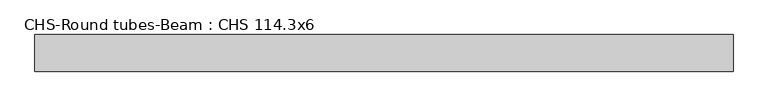
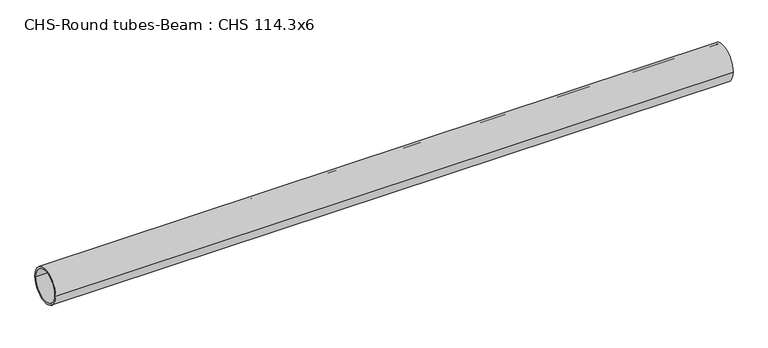
"""IFC4 building model written with IfcOpenShell, lengths in millimetres: beam geometry, CHS-Round tubes-Beam : CHS 114.3x6."""

import ifcopenshell
import ifcopenshell.guid

model = None  # the IFC model being written
_history = None  # IfcOwnerHistory: only IFC2X3 demands one
_inside = {}  # id of a spatial element -> (the spatial element, [elements in it])
_under = {}  # id of a project, library or spatial element -> (it, [spatial elements below it])
_declared = {}  # id of a project -> (the project, [libraries it declares])
_typed = {}  # id of a type object -> (the type object, [elements of that type])
_made_of = {}  # id of a material, layer set ... -> (it, [elements and type objects made of it])


def new_model(schema):
    """Start an empty IFC model of exactly this schema.

    Asked for "IFC4X3", IfcOpenShell would pick the latest addendum, in which some entities
    have other attributes; the version numbers below select the first issue.
    IFC2X3 requires an IfcOwnerHistory on every rooted entity: one is made here for all.
    """
    global model, _history
    if schema == "IFC4X3":
        model = ifcopenshell.file(schema_version=(4, 3, 0, 0))
    else:
        model = ifcopenshell.file(schema=schema)
    _inside.clear()
    _under.clear()
    _declared.clear()
    _typed.clear()
    _made_of.clear()
    _history = None
    if model.schema == "IFC2X3":
        org = make("IfcOrganization", Name="unknown")
        user = make(
            "IfcPersonAndOrganization",
            ThePerson=make("IfcPerson", FamilyName="unknown"),
            TheOrganization=org,
        )
        app = make(
            "IfcApplication",
            ApplicationDeveloper=org,
            Version="unknown",
            ApplicationFullName="unknown",
            ApplicationIdentifier="unknown",
        )
        _history = make(
            "IfcOwnerHistory",
            OwningUser=user,
            OwningApplication=app,
            ChangeAction="ADDED",
            CreationDate=0,
        )
    return model


def make(cls, **values):
    """One entity of the class cls with the attributes given. An attribute that is None is left unset."""
    return model.create_entity(
        cls, **{name: value for name, value in values.items() if value is not None}
    )


def rooted(cls, **values):
    """An entity with a GlobalId (a new one), such as an element, a storey or a relation."""
    return make(cls, GlobalId=ifcopenshell.guid.new(), OwnerHistory=_history, **values)


def si_unit(unit_type, name, prefix=None):
    """IfcSIUnit, for example si_unit("LENGTHUNIT", "METRE", prefix="MILLI")."""
    return make("IfcSIUnit", UnitType=unit_type, Prefix=prefix, Name=name)


def assignment(units):
    """IfcUnitAssignment: the units of a project."""
    return None if units is None else make("IfcUnitAssignment", Units=units)


def point(xyz):
    """IfcCartesianPoint."""
    return None if xyz is None else make("IfcCartesianPoint", Coordinates=xyz)


def direction(xyz):
    """IfcDirection."""
    return None if xyz is None else make("IfcDirection", DirectionRatios=xyz)


def frame(location, z_axis=None, x_axis=None):
    """IfcAxis2Placement3D, a coordinate frame: its origin and axes. An axis left out is left unset."""
    return make(
        "IfcAxis2Placement3D",
        Location=point(location),
        Axis=direction(z_axis),
        RefDirection=direction(x_axis),
    )


def frame_2d(location, x_axis=None):
    """IfcAxis2Placement2D, a coordinate frame in the plane: its origin and x axis."""
    return make(
        "IfcAxis2Placement2D", Location=point(location), RefDirection=direction(x_axis)
    )


def origin():
    """The frame at (0, 0, 0) with its axes left unset."""
    return frame((0.0, 0.0, 0.0))


def origin_2d():
    """The frame at (0, 0) in the plane with its x axis left unset."""
    return frame_2d((0.0, 0.0))


def place(relative_to, where):
    """IfcLocalPlacement: puts the frame where relative to a parent placement (None: the world)."""
    return make(
        "IfcLocalPlacement", PlacementRelTo=relative_to, RelativePlacement=where
    )


def context(
    kind, dimensions, precision=None, world=None, true_north=None, identifier=None
):
    """IfcGeometricRepresentationContext, for example the 3D "Model" context."""
    return make(
        "IfcGeometricRepresentationContext",
        ContextIdentifier=identifier,
        ContextType=kind,
        CoordinateSpaceDimension=dimensions,
        Precision=precision,
        WorldCoordinateSystem=world,
        TrueNorth=true_north,
    )


def project(units=None, contexts=None):
    """IfcProject with its units and contexts."""
    return rooted(
        "IfcProject",
        Name="project",
        RepresentationContexts=contexts,
        UnitsInContext=assignment(units),
    )


def spatial(cls, under=None, at=None, **own):
    """A site, building, storey or space (cls), placed at a placement, below another one or the project."""
    s = rooted(cls, ObjectPlacement=at, **own)
    if under is not None:
        _under.setdefault(under.id(), (under, []))[1].append(s)
    return s


def circle_curve(where, radius):
    """IfcCircle in the frame where."""
    return make("IfcCircle", Position=where, Radius=radius)


def trimmed(basis, trim1, trim2, sense, master):
    """IfcTrimmedCurve: the piece of a basis curve between two trims."""
    return make(
        "IfcTrimmedCurve",
        BasisCurve=basis,
        Trim1=trim1,
        Trim2=trim2,
        SenseAgreement=sense,
        MasterRepresentation=master,
    )


def segment(curve, same_sense, transition):
    """IfcCompositeCurveSegment."""
    return make(
        "IfcCompositeCurveSegment",
        Transition=transition,
        SameSense=same_sense,
        ParentCurve=curve,
    )


def composite_curve(segments, self_intersect=None):
    """IfcCompositeCurve: segments joined end to end."""
    return make("IfcCompositeCurve", Segments=segments, SelfIntersect=self_intersect)


def outline(outer, holes=None, kind="AREA"):
    """IfcArbitraryClosedProfileDef: a profile drawn as a closed curve; with holes, ...WithVoids."""
    if holes is None:
        return make("IfcArbitraryClosedProfileDef", ProfileType=kind, OuterCurve=outer)
    return make(
        "IfcArbitraryProfileDefWithVoids",
        ProfileType=kind,
        OuterCurve=outer,
        InnerCurves=holes,
    )


def extrude(swept, where, along, depth):
    """IfcExtrudedAreaSolid: the profile swept, set in the frame where, extruded along a direction by depth."""
    return make(
        "IfcExtrudedAreaSolid",
        SweptArea=swept,
        Position=where,
        ExtrudedDirection=direction(along),
        Depth=depth,
    )


def shape(context_of_items, identifier, shape_type, items):
    """IfcShapeRepresentation: the items that make up one representation, for example the "Body"."""
    return make(
        "IfcShapeRepresentation",
        ContextOfItems=context_of_items,
        RepresentationIdentifier=identifier,
        RepresentationType=shape_type,
        Items=items,
    )


def source(mapping_origin, context_of_items, identifier, shape_type, items):
    """IfcRepresentationMap: a shape defined once, which mapped items show again and again."""
    return make(
        "IfcRepresentationMap",
        MappingOrigin=mapping_origin,
        MappedRepresentation=shape(context_of_items, identifier, shape_type, items),
    )


def transform(
    local_origin,
    x_axis=None,
    y_axis=None,
    z_axis=None,
    scale=None,
    scale2=None,
    scale3=None,
    uniform=True,
):
    """IfcCartesianTransformationOperator3D, or its non-uniform kind. x_axis, y_axis, z_axis: its Axis1, 2, 3."""
    if uniform:
        return make(
            "IfcCartesianTransformationOperator3D",
            Axis1=direction(x_axis),
            Axis2=direction(y_axis),
            LocalOrigin=point(local_origin),
            Scale=scale,
            Axis3=direction(z_axis),
        )
    return make(
        "IfcCartesianTransformationOperator3DnonUniform",
        Axis1=direction(x_axis),
        Axis2=direction(y_axis),
        LocalOrigin=point(local_origin),
        Scale=scale,
        Axis3=direction(z_axis),
        Scale2=scale2,
        Scale3=scale3,
    )


def mapped(mapping_source, mapping_target):
    """IfcMappedItem: shows the shape of a source again, moved by a transform."""
    return make(
        "IfcMappedItem", MappingSource=mapping_source, MappingTarget=mapping_target
    )


def made_of(thing, what):
    """Note that an element or type object is made of a material, layer set ...; save() writes the relation."""
    if what is not None:
        _made_of.setdefault(what.id(), (what, []))[1].append(thing)
    return thing


def element(
    cls,
    number,
    at=None,
    inside=None,
    cuts=None,
    type_object=None,
    material=None,
    context=None,
    identifier="Body",
    shape_type=None,
    held_by="IfcProductDefinitionShape",
    body=None,
    shapes=None,
    **own,
):
    """One element of the class cls, such as IfcWall. Its Tag is "e" and its number.

    at: its placement. inside: the storey or other place that contains it. cuts: it is an
    opening in that element (IfcRelVoidsElement). A single representation is given by context,
    identifier, shape_type and body (its items); several are given by shapes. held_by: the class
    of the entity that holds the representations. save() writes the other relations.
    """
    e = rooted(cls, Tag="e%d" % number, ObjectPlacement=at, **own)
    if body is not None:
        shapes = [shape(context, identifier, shape_type, body)]
    if shapes is not None:
        e.Representation = make(held_by, Representations=shapes)
    if inside is not None:
        _inside.setdefault(inside.id(), (inside, []))[1].append(e)
    if cuts is not None:
        rooted(
            "IfcRelVoidsElement", RelatingBuildingElement=cuts, RelatedOpeningElement=e
        )
    if type_object is not None:
        _typed.setdefault(type_object.id(), (type_object, []))[1].append(e)
    return made_of(e, material)


def aggregate(whole, parts):
    """IfcRelAggregates: a whole, such as a stair, and the parts it consists of."""
    return rooted("IfcRelAggregates", RelatingObject=whole, RelatedObjects=parts)


def save(model, path):
    """Write the relations noted so far, then the file.

    IfcRelAggregates (storeys below a building ...), IfcRelContainedInSpatialStructure (elements
    in a storey), IfcRelDefinesByType, IfcRelAssociatesMaterial and IfcRelDeclares: one each for
    every whole, place, type object, material and project.
    """
    for whole, parts in _under.values():
        aggregate(whole, parts)
    for where, things in _inside.values():
        rooted(
            "IfcRelContainedInSpatialStructure",
            RelatedElements=things,
            RelatingStructure=where,
        )
    for kind, things in _typed.values():
        rooted("IfcRelDefinesByType", RelatedObjects=things, RelatingType=kind)
    for what, things in _made_of.values():
        rooted("IfcRelAssociatesMaterial", RelatedObjects=things, RelatingMaterial=what)
    for by, libraries in _declared.values():
        rooted("IfcRelDeclares", RelatingContext=by, RelatedDefinitions=libraries)
    model.write(path)


def chs_round_tubes_beam_chs_114_3x6_eb308ebc(model_context):
    return source(origin(), model_context, "Body", "SweptSolid", [
        extrude(outline(composite_curve([segment(trimmed(circle_curve(origin_2d(), 57.15), [point((57.15, 0.0))], [point((-57.15, 0.0))], False, "CARTESIAN"), True, "CONTINUOUS"), segment(trimmed(circle_curve(origin_2d(), 57.15), [point((-57.15, 0.0))], [point((57.15, 0.0))], False, "CARTESIAN"), True, "CONTINUOUS")], self_intersect=False), holes=[composite_curve([segment(trimmed(circle_curve(origin_2d(), 51.15), [point((51.15, 0.0))], [point((-51.15, 0.0))], True, "CARTESIAN"), True, "CONTINUOUS"), segment(trimmed(circle_curve(origin_2d(), 51.15), [point((-51.15, 0.0))], [point((51.15, 0.0))], True, "CARTESIAN"), True, "CONTINUOUS")], self_intersect=False)]), frame((-950.0984367, 0.0, 0.0), z_axis=(1.0, 0.0, 0.0), x_axis=(0.0, 1.0, 0.0)), (0.0, 0.0, 1.0), 2178.8955542),
    ])


if __name__ == "__main__":
    model = new_model("IFC4")
    model_context = context("Model", 3, world=origin())
    ifc_project = project(units=[si_unit("LENGTHUNIT", "METRE", prefix="MILLI")], contexts=[model_context])
    site = spatial("IfcSite", under=ifc_project)
    building = spatial("IfcBuilding", under=site)
    placement = place(None, origin())
    chs_round_tubes_beam_chs_114_3x6_shape = chs_round_tubes_beam_chs_114_3x6_eb308ebc(model_context)
    element("IfcBeam", 1, ObjectType="CHS-Round tubes-Beam : CHS 114.3x6", at=placement, inside=building, context=model_context, shape_type="MappedRepresentation", body=[
        mapped(chs_round_tubes_beam_chs_114_3x6_shape, transform((0.0, 0.0, 0.0), x_axis=(1.0, 0.0, 0.0), y_axis=(0.0, 1.0, 0.0), z_axis=(0.0, 0.0, 1.0))),
    ])
    save(model, "model.ifc")
